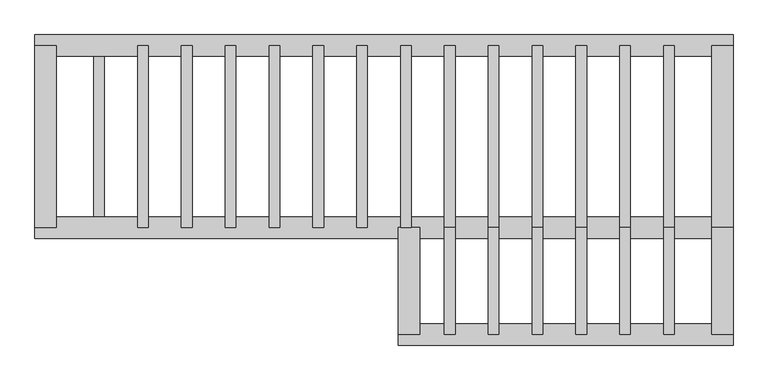
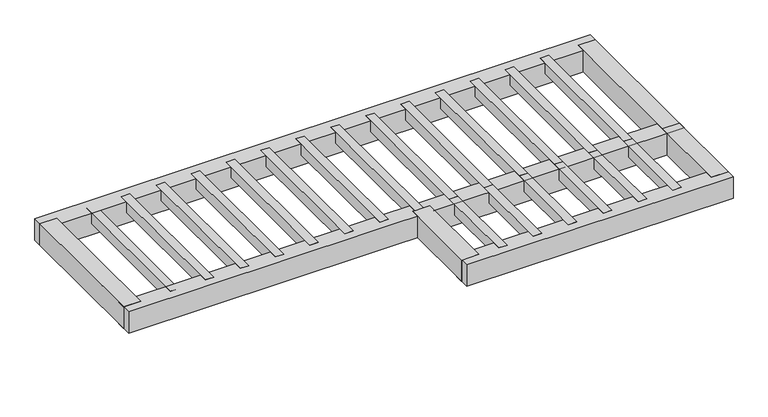
"""IFC4 building model written with IfcOpenShell, lengths in millimetres: proxy geometry."""

from ifc_helpers import new_model, si_unit, frame, origin, place, context, project, spatial, polyline, outline, extrude, source, transform, mapped, element, save


def generic_models_67853ab3(model_context):
    return source(origin(), model_context, "Body", "SweptSolid", [
        extrude(outline(polyline([(998.0769231, -2763.0864198), (848.0769231, -2763.0864198), (848.0769231, -1263.0864198), (998.0769231, -1263.0864198), (998.0769231, -2763.0864198)])), frame((0.0, 0.0, 400.0), z_axis=(0.0, 0.0, 1.0), x_axis=(1.0, 0.0, 0.0)), (0.0, 0.0, 1.0), 200.0),
        extrude(outline(polyline([(3459.6153846, -2763.0864198), (3309.6153846, -2763.0864198), (3309.6153846, -1263.0864198), (3459.6153846, -1263.0864198), (3459.6153846, -2763.0864198)])), frame((0.0, 0.0, 400.0), z_axis=(0.0, 0.0, 1.0), x_axis=(1.0, 0.0, 0.0)), (0.0, 0.0, 1.0), 200.0),
        extrude(outline(polyline([(3459.6153846, -1263.0864198), (3309.6153846, -1263.0864198), (3309.6153846, 1296.9135802), (3459.6153846, 1296.9135802), (3459.6153846, -1263.0864198)])), frame((0.0, 0.0, 400.0), z_axis=(0.0, 0.0, 1.0), x_axis=(1.0, 0.0, 0.0)), (0.0, 0.0, 1.0), 200.0),
        extrude(outline(polyline([(2844.2307692, -2763.0864198), (2694.2307692, -2763.0864198), (2694.2307692, -1263.0864198), (2844.2307692, -1263.0864198), (2844.2307692, -2763.0864198)])), frame((0.0, 0.0, 400.0), z_axis=(0.0, 0.0, 1.0), x_axis=(1.0, 0.0, 0.0)), (0.0, 0.0, 1.0), 200.0),
        extrude(outline(polyline([(2228.8461538, -2763.0864198), (2078.8461538, -2763.0864198), (2078.8461538, -1263.0864198), (2228.8461538, -1263.0864198), (2228.8461538, -2763.0864198)])), frame((0.0, 0.0, 400.0), z_axis=(0.0, 0.0, 1.0), x_axis=(1.0, 0.0, 0.0)), (0.0, 0.0, 1.0), 200.0),
        extrude(outline(polyline([(1613.4615385, -2763.0864198), (1463.4615385, -2763.0864198), (1463.4615385, -1263.0864198), (1613.4615385, -1263.0864198), (1613.4615385, -2763.0864198)])), frame((0.0, 0.0, 400.0), z_axis=(0.0, 0.0, 1.0), x_axis=(1.0, 0.0, 0.0)), (0.0, 0.0, 1.0), 200.0),
        extrude(outline(polyline([(2844.2307692, -1263.0864198), (2694.2307692, -1263.0864198), (2694.2307692, 1296.9135802), (2844.2307692, 1296.9135802), (2844.2307692, -1263.0864198)])), frame((0.0, 0.0, 400.0), z_axis=(0.0, 0.0, 1.0), x_axis=(1.0, 0.0, 0.0)), (0.0, 0.0, 1.0), 200.0),
        extrude(outline(polyline([(2228.8461538, -1263.0864198), (2078.8461538, -1263.0864198), (2078.8461538, 1296.9135802), (2228.8461538, 1296.9135802), (2228.8461538, -1263.0864198)])), frame((0.0, 0.0, 400.0), z_axis=(0.0, 0.0, 1.0), x_axis=(1.0, 0.0, 0.0)), (0.0, 0.0, 1.0), 200.0),
        extrude(outline(polyline([(1613.4615385, -1263.0864198), (1463.4615385, -1263.0864198), (1463.4615385, 1296.9135802), (1613.4615385, 1296.9135802), (1613.4615385, -1263.0864198)])), frame((0.0, 0.0, 400.0), z_axis=(0.0, 0.0, 1.0), x_axis=(1.0, 0.0, 0.0)), (0.0, 0.0, 1.0), 200.0),
        extrude(outline(polyline([(998.0769231, -1263.0864198), (848.0769231, -1263.0864198), (848.0769231, 1296.9135802), (998.0769231, 1296.9135802), (998.0769231, -1263.0864198)])), frame((0.0, 0.0, 400.0), z_axis=(0.0, 0.0, 1.0), x_axis=(1.0, 0.0, 0.0)), (0.0, 0.0, 1.0), 200.0),
        extrude(outline(polyline([(4075.0, -2763.0864198), (3925.0, -2763.0864198), (3925.0, -1263.0864198), (4075.0, -1263.0864198), (4075.0, -2763.0864198)])), frame((0.0, 0.0, 400.0), z_axis=(0.0, 0.0, 1.0), x_axis=(1.0, 0.0, 0.0)), (0.0, 0.0, 1.0), 200.0),
        extrude(outline(polyline([(382.6923077, -1263.0864198), (232.6923077, -1263.0864198), (232.6923077, 1296.9135802), (382.6923077, 1296.9135802), (382.6923077, -1263.0864198)])), frame((0.0, 0.0, 400.0), z_axis=(0.0, 0.0, 1.0), x_axis=(1.0, 0.0, 0.0)), (0.0, 0.0, 1.0), 200.0),
        extrude(outline(polyline([(-232.6923077, -1263.0864198), (-382.6923077, -1263.0864198), (-382.6923077, 1296.9135802), (-232.6923077, 1296.9135802), (-232.6923077, -1263.0864198)])), frame((0.0, 0.0, 400.0), z_axis=(0.0, 0.0, 1.0), x_axis=(1.0, 0.0, 0.0)), (0.0, 0.0, 1.0), 200.0),
        extrude(outline(polyline([(-848.0769231, -1263.0864198), (-998.0769231, -1263.0864198), (-998.0769231, 1296.9135802), (-848.0769231, 1296.9135802), (-848.0769231, -1263.0864198)])), frame((0.0, 0.0, 400.0), z_axis=(0.0, 0.0, 1.0), x_axis=(1.0, 0.0, 0.0)), (0.0, 0.0, 1.0), 200.0),
        extrude(outline(polyline([(-1463.4615385, -1263.0864198), (-1613.4615385, -1263.0864198), (-1613.4615385, 1296.9135802), (-1463.4615385, 1296.9135802), (-1463.4615385, -1263.0864198)])), frame((0.0, 0.0, 400.0), z_axis=(0.0, 0.0, 1.0), x_axis=(1.0, 0.0, 0.0)), (0.0, 0.0, 1.0), 200.0),
        extrude(outline(polyline([(-2078.8461538, -1263.0864198), (-2228.8461538, -1263.0864198), (-2228.8461538, 1296.9135802), (-2078.8461538, 1296.9135802), (-2078.8461538, -1263.0864198)])), frame((0.0, 0.0, 400.0), z_axis=(0.0, 0.0, 1.0), x_axis=(1.0, 0.0, 0.0)), (0.0, 0.0, 1.0), 200.0),
        extrude(outline(polyline([(-2694.2307692, -1263.0864198), (-2844.2307692, -1263.0864198), (-2844.2307692, 1296.9135802), (-2694.2307692, 1296.9135802), (-2694.2307692, -1263.0864198)])), frame((0.0, 0.0, 400.0), z_axis=(0.0, 0.0, 1.0), x_axis=(1.0, 0.0, 0.0)), (0.0, 0.0, 1.0), 200.0),
        extrude(outline(polyline([(-3309.6153846, -1263.0864198), (-3459.6153846, -1263.0864198), (-3459.6153846, 1296.9135802), (-3309.6153846, 1296.9135802), (-3309.6153846, -1263.0864198)])), frame((0.0, 0.0, 400.0), z_axis=(0.0, 0.0, 1.0), x_axis=(1.0, 0.0, 0.0)), (0.0, 0.0, 1.0), 200.0),
        extrude(outline(polyline([(4075.0, -1263.0864198), (3925.0, -1263.0864198), (3925.0, 1296.9135802), (4075.0, 1296.9135802), (4075.0, -1263.0864198)])), frame((0.0, 0.0, 400.0), z_axis=(0.0, 0.0, 1.0), x_axis=(1.0, 0.0, 0.0)), (0.0, 0.0, 1.0), 200.0),
        extrude(outline(polyline([(500.0, -1263.0864198), (500.0, -2763.0864198), (200.0, -2763.0864198), (200.0, -1263.0864198), (500.0, -1263.0864198)])), frame((0.0, 0.0, 200.0), z_axis=(0.0, 0.0, 1.0), x_axis=(1.0, 0.0, 0.0)), (0.0, 0.0, 1.0), 400.0),
        extrude(outline(polyline([(-4600.0, 1296.9135802), (-4600.0, -1263.0864198), (-4900.0, -1263.0864198), (-4900.0, 1296.9135802), (-4600.0, 1296.9135802)])), frame((0.0, 0.0, 200.0), z_axis=(0.0, 0.0, 1.0), x_axis=(1.0, 0.0, 0.0)), (0.0, 0.0, 1.0), 400.0),
        extrude(outline(polyline([(4900.0, -1263.0864198), (4900.0, -2763.0864198), (4600.0, -2763.0864198), (4600.0, -1263.0864198), (4900.0, -1263.0864198)])), frame((0.0, 0.0, 200.0), z_axis=(0.0, 0.0, 1.0), x_axis=(1.0, 0.0, 0.0)), (0.0, 0.0, 1.0), 400.0),
        extrude(outline(polyline([(4900.0, 1296.9135802), (4900.0, -1263.0864198), (4600.0, -1263.0864198), (4600.0, 1296.9135802), (4900.0, 1296.9135802)])), frame((0.0, 0.0, 200.0), z_axis=(0.0, 0.0, 1.0), x_axis=(1.0, 0.0, 0.0)), (0.0, 0.0, 1.0), 400.0),
        extrude(outline(polyline([(4900.0, -2913.0864198), (200.0, -2913.0864198), (200.0, -2613.0864198), (4900.0, -2613.0864198), (4900.0, -2913.0864198)])), frame((0.0, 0.0, 200.0), z_axis=(0.0, 0.0, 1.0), x_axis=(1.0, 0.0, 0.0)), (0.0, 0.0, 1.0), 400.0),
        extrude(outline(polyline([(4900.0, -1413.0864198), (-4900.0, -1413.0864198), (-4900.0, -1113.0864198), (4900.0, -1113.0864198), (4900.0, -1413.0864198)])), frame((0.0, 0.0, 200.0), z_axis=(0.0, 0.0, 1.0), x_axis=(1.0, 0.0, 0.0)), (0.0, 0.0, 1.0), 400.0),
        extrude(outline(polyline([(4900.0, 1446.9135802), (4900.0, 1146.9135802), (-4900.0, 1146.9135802), (-4900.0, 1446.9135802), (4900.0, 1446.9135802)])), frame((0.0, 0.0, 200.0), z_axis=(0.0, 0.0, 1.0), x_axis=(1.0, 0.0, 0.0)), (0.0, 0.0, 1.0), 400.0),
        extrude(outline(polyline([(-3925.0, -1263.0864198), (-4075.0, -1263.0864198), (-4075.0, 1296.9135802), (-3925.0, 1296.9135802), (-3925.0, -1263.0864198)])), frame((0.0, 0.0, 400.0), z_axis=(0.0, 0.0, 1.0), x_axis=(1.0, 0.0, 0.0)), (0.0, 0.0, 1.0), 200.0),
    ])


if __name__ == "__main__":
    model = new_model("IFC4")
    model_context = context("Model", 3, world=origin())
    ifc_project = project(units=[si_unit("LENGTHUNIT", "METRE", prefix="MILLI")], contexts=[model_context])
    site = spatial("IfcSite", under=ifc_project)
    building = spatial("IfcBuilding", under=site)
    placement = place(None, origin())
    generic_models_shape = generic_models_67853ab3(model_context)
    element("IfcBuildingElementProxy", 1, Name="Generic Models", at=placement, inside=building, context=model_context, shape_type="MappedRepresentation", body=[
        mapped(generic_models_shape, transform((0.0, 0.0, 0.0), x_axis=(1.0, 0.0, 0.0), y_axis=(0.0, 1.0, 0.0), z_axis=(0.0, 0.0, 1.0))),
    ])
    save(model, "model.ifc")
